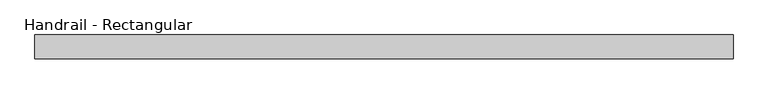
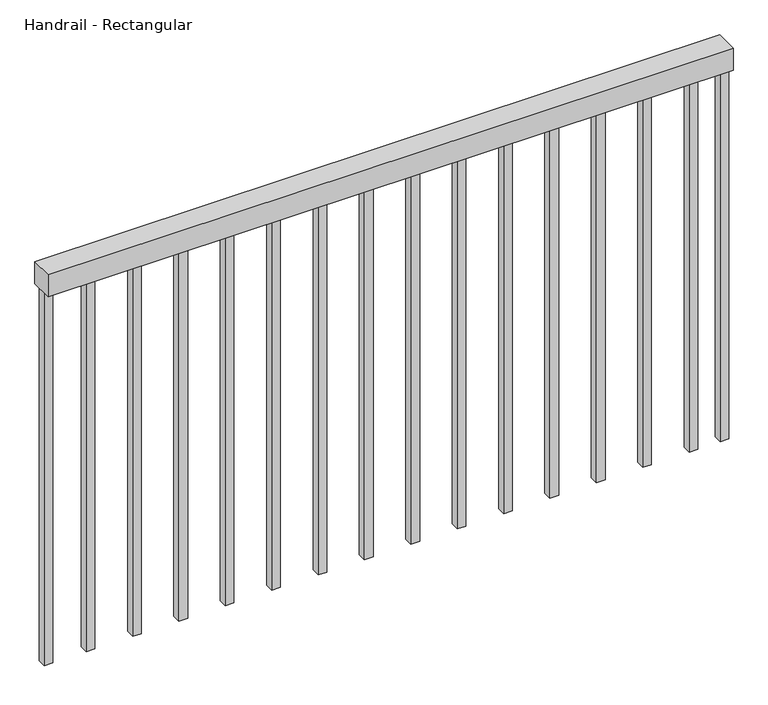
"""IFC4 building model written with IfcOpenShell, lengths in millimetres: railing geometry, Handrail - Rectangular."""

from ifc_helpers import new_model, si_unit, frame, origin, place, context, project, spatial, polyline, outline, extrude, source, transform, mapped, element, save


def handrail_rectangular_410c4401(model_context):
    return source(origin(), model_context, "Body", "SweptSolid", [
        extrude(outline(polyline([(18220.9463288, 4605.857897), (18220.9463288, 4656.657897), (19720.9463288, 4656.657897), (19720.9463288, 4605.857897), (18220.9463288, 4605.857897)])), frame((0.0, 0.0, 3903.6), z_axis=(0.0, 0.0, 1.0), x_axis=(1.0, 0.0, 0.0)), (0.0, 0.0, 1.0), 50.8),
        extrude(outline(polyline([(19633.8213288, 4621.732897), (19633.8213288, 4640.782897), (19652.8713288, 4640.782897), (19652.8713288, 4621.732897), (19633.8213288, 4621.732897)])), frame((0.0, 0.0, 3040.0), z_axis=(0.0, 0.0, 1.0), x_axis=(1.0, 0.0, 0.0)), (0.0, 0.0, 1.0), 863.6),
        extrude(outline(polyline([(19532.2213288, 4621.732897), (19532.2213288, 4640.782897), (19551.2713288, 4640.782897), (19551.2713288, 4621.732897), (19532.2213288, 4621.732897)])), frame((0.0, 0.0, 3040.0), z_axis=(0.0, 0.0, 1.0), x_axis=(1.0, 0.0, 0.0)), (0.0, 0.0, 1.0), 863.6),
        extrude(outline(polyline([(19430.6213288, 4621.732897), (19430.6213288, 4640.782897), (19449.6713288, 4640.782897), (19449.6713288, 4621.732897), (19430.6213288, 4621.732897)])), frame((0.0, 0.0, 3040.0), z_axis=(0.0, 0.0, 1.0), x_axis=(1.0, 0.0, 0.0)), (0.0, 0.0, 1.0), 863.6),
        extrude(outline(polyline([(19329.0213288, 4621.732897), (19329.0213288, 4640.782897), (19348.0713288, 4640.782897), (19348.0713288, 4621.732897), (19329.0213288, 4621.732897)])), frame((0.0, 0.0, 3040.0), z_axis=(0.0, 0.0, 1.0), x_axis=(1.0, 0.0, 0.0)), (0.0, 0.0, 1.0), 863.6),
        extrude(outline(polyline([(19227.4213288, 4621.732897), (19227.4213288, 4640.782897), (19246.4713288, 4640.782897), (19246.4713288, 4621.732897), (19227.4213288, 4621.732897)])), frame((0.0, 0.0, 3040.0), z_axis=(0.0, 0.0, 1.0), x_axis=(1.0, 0.0, 0.0)), (0.0, 0.0, 1.0), 863.6),
        extrude(outline(polyline([(19125.8213288, 4621.732897), (19125.8213288, 4640.782897), (19144.8713288, 4640.782897), (19144.8713288, 4621.732897), (19125.8213288, 4621.732897)])), frame((0.0, 0.0, 3040.0), z_axis=(0.0, 0.0, 1.0), x_axis=(1.0, 0.0, 0.0)), (0.0, 0.0, 1.0), 863.6),
        extrude(outline(polyline([(19024.2213288, 4621.732897), (19024.2213288, 4640.782897), (19043.2713288, 4640.782897), (19043.2713288, 4621.732897), (19024.2213288, 4621.732897)])), frame((0.0, 0.0, 3040.0), z_axis=(0.0, 0.0, 1.0), x_axis=(1.0, 0.0, 0.0)), (0.0, 0.0, 1.0), 863.6),
        extrude(outline(polyline([(18922.6213288, 4621.732897), (18922.6213288, 4640.782897), (18941.6713288, 4640.782897), (18941.6713288, 4621.732897), (18922.6213288, 4621.732897)])), frame((0.0, 0.0, 3040.0), z_axis=(0.0, 0.0, 1.0), x_axis=(1.0, 0.0, 0.0)), (0.0, 0.0, 1.0), 863.6),
        extrude(outline(polyline([(18821.0213288, 4621.732897), (18821.0213288, 4640.782897), (18840.0713288, 4640.782897), (18840.0713288, 4621.732897), (18821.0213288, 4621.732897)])), frame((0.0, 0.0, 3040.0), z_axis=(0.0, 0.0, 1.0), x_axis=(1.0, 0.0, 0.0)), (0.0, 0.0, 1.0), 863.6),
        extrude(outline(polyline([(18719.4213288, 4621.732897), (18719.4213288, 4640.782897), (18738.4713288, 4640.782897), (18738.4713288, 4621.732897), (18719.4213288, 4621.732897)])), frame((0.0, 0.0, 3040.0), z_axis=(0.0, 0.0, 1.0), x_axis=(1.0, 0.0, 0.0)), (0.0, 0.0, 1.0), 863.6),
        extrude(outline(polyline([(18617.8213288, 4621.732897), (18617.8213288, 4640.782897), (18636.8713288, 4640.782897), (18636.8713288, 4621.732897), (18617.8213288, 4621.732897)])), frame((0.0, 0.0, 3040.0), z_axis=(0.0, 0.0, 1.0), x_axis=(1.0, 0.0, 0.0)), (0.0, 0.0, 1.0), 863.6),
        extrude(outline(polyline([(18516.2213288, 4621.732897), (18516.2213288, 4640.782897), (18535.2713288, 4640.782897), (18535.2713288, 4621.732897), (18516.2213288, 4621.732897)])), frame((0.0, 0.0, 3040.0), z_axis=(0.0, 0.0, 1.0), x_axis=(1.0, 0.0, 0.0)), (0.0, 0.0, 1.0), 863.6),
        extrude(outline(polyline([(18414.6213288, 4621.732897), (18414.6213288, 4640.782897), (18433.6713288, 4640.782897), (18433.6713288, 4621.732897), (18414.6213288, 4621.732897)])), frame((0.0, 0.0, 3040.0), z_axis=(0.0, 0.0, 1.0), x_axis=(1.0, 0.0, 0.0)), (0.0, 0.0, 1.0), 863.6),
        extrude(outline(polyline([(18313.0213288, 4621.732897), (18313.0213288, 4640.782897), (18332.0713288, 4640.782897), (18332.0713288, 4621.732897), (18313.0213288, 4621.732897)])), frame((0.0, 0.0, 3040.0), z_axis=(0.0, 0.0, 1.0), x_axis=(1.0, 0.0, 0.0)), (0.0, 0.0, 1.0), 863.6),
        extrude(outline(polyline([(19701.8963288, 4621.732897), (19701.8963288, 4640.782897), (19720.9463288, 4640.782897), (19720.9463288, 4621.732897), (19701.8963288, 4621.732897)])), frame((0.0, 0.0, 3040.0), z_axis=(0.0, 0.0, 1.0), x_axis=(1.0, 0.0, 0.0)), (0.0, 0.0, 1.0), 863.6),
        extrude(outline(polyline([(18220.9463288, 4621.732897), (18220.9463288, 4640.782897), (18239.9963288, 4640.782897), (18239.9963288, 4621.732897), (18220.9463288, 4621.732897)])), frame((0.0, 0.0, 3040.0), z_axis=(0.0, 0.0, 1.0), x_axis=(1.0, 0.0, 0.0)), (0.0, 0.0, 1.0), 863.6),
    ])


if __name__ == "__main__":
    model = new_model("IFC4")
    model_context = context("Model", 3, world=origin())
    ifc_project = project(units=[si_unit("LENGTHUNIT", "METRE", prefix="MILLI")], contexts=[model_context])
    site = spatial("IfcSite", under=ifc_project)
    building = spatial("IfcBuilding", under=site)
    placement = place(None, origin())
    handrail_rectangular_shape = handrail_rectangular_410c4401(model_context)
    element("IfcRailing", 1, ObjectType="Handrail - Rectangular", at=placement, inside=building, context=model_context, shape_type="MappedRepresentation", body=[
        mapped(handrail_rectangular_shape, transform((0.0, 0.0, 0.0), x_axis=(1.0, 0.0, 0.0), y_axis=(0.0, 1.0, 0.0), z_axis=(0.0, 0.0, 1.0))),
    ])
    save(model, "model.ifc")
